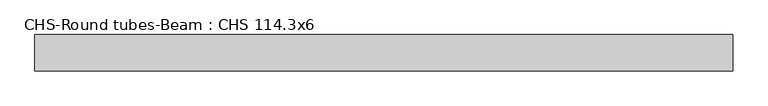
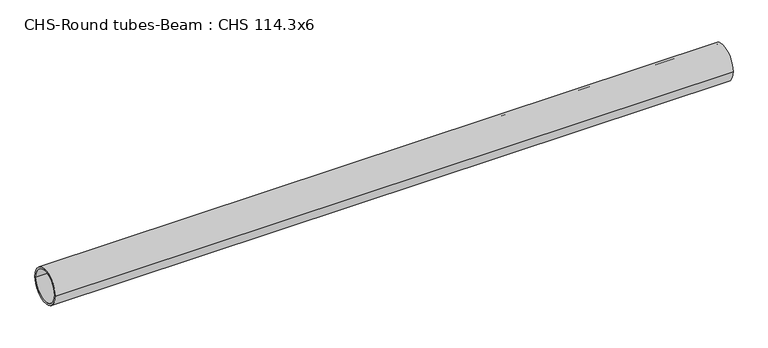
"""IFC4 building model written with IfcOpenShell, lengths in millimetres: beam geometry, CHS-Round tubes-Beam : CHS 114.3x6."""

from ifc_helpers import new_model, si_unit, point, frame, origin, origin_2d, place, context, project, spatial, circle_curve, trimmed, segment, composite_curve, outline, extrude, source, transform, mapped, element, save


def chs_round_tubes_beam_chs_114_3x6_6b826aa4(model_context):
    return source(origin(), model_context, "Body", "SweptSolid", [
        extrude(outline(composite_curve([segment(trimmed(circle_curve(origin_2d(), 57.15), [point((57.15, 0.0))], [point((-57.15, 0.0))], False, "CARTESIAN"), True, "CONTINUOUS"), segment(trimmed(circle_curve(origin_2d(), 57.15), [point((-57.15, 0.0))], [point((57.15, 0.0))], False, "CARTESIAN"), True, "CONTINUOUS")], self_intersect=False), holes=[composite_curve([segment(trimmed(circle_curve(origin_2d(), 51.15), [point((51.15, 0.0))], [point((-51.15, 0.0))], True, "CARTESIAN"), True, "CONTINUOUS"), segment(trimmed(circle_curve(origin_2d(), 51.15), [point((-51.15, 0.0))], [point((51.15, 0.0))], True, "CARTESIAN"), True, "CONTINUOUS")], self_intersect=False)]), frame((-1063.4606764, 0.0, 0.0), z_axis=(1.0, 0.0, 0.0), x_axis=(0.0, 1.0, 0.0)), (0.0, 0.0, 1.0), 2203.7961156),
    ])


if __name__ == "__main__":
    model = new_model("IFC4")
    model_context = context("Model", 3, world=origin())
    ifc_project = project(units=[si_unit("LENGTHUNIT", "METRE", prefix="MILLI")], contexts=[model_context])
    site = spatial("IfcSite", under=ifc_project)
    building = spatial("IfcBuilding", under=site)
    placement = place(None, origin())
    chs_round_tubes_beam_chs_114_3x6_shape = chs_round_tubes_beam_chs_114_3x6_6b826aa4(model_context)
    element("IfcBeam", 1, ObjectType="CHS-Round tubes-Beam : CHS 114.3x6", at=placement, inside=building, context=model_context, shape_type="MappedRepresentation", body=[
        mapped(chs_round_tubes_beam_chs_114_3x6_shape, transform((0.0, 0.0, 0.0), x_axis=(1.0, 0.0, 0.0), y_axis=(0.0, 1.0, 0.0), z_axis=(0.0, 0.0, 1.0))),
    ])
    save(model, "model.ifc")
